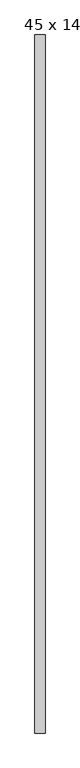
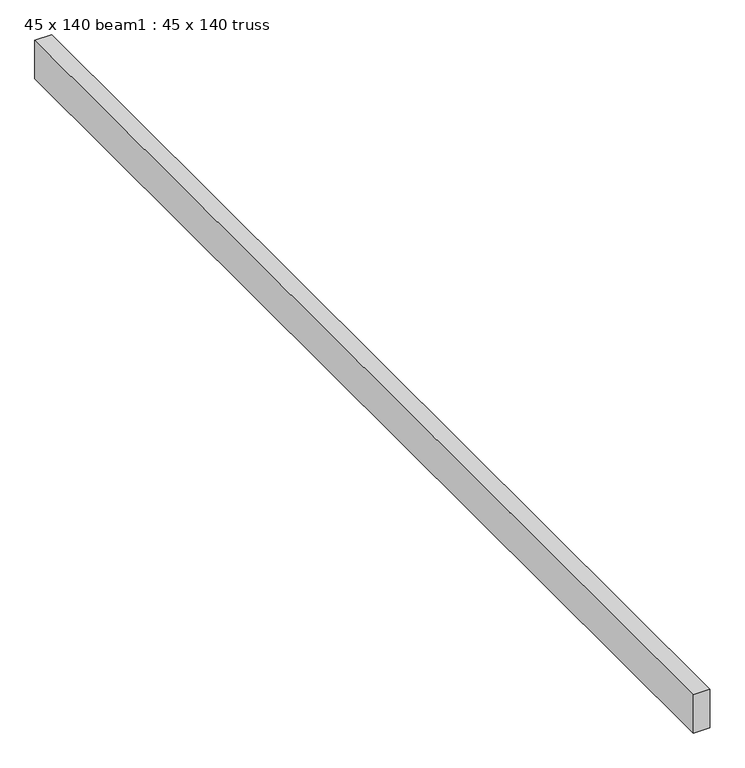
"""IFC4 building model written with IfcOpenShell, lengths in millimetres: proxy geometry, 45 x 140 beam1 : 45 x 140 truss."""

from ifc_helpers import new_model, si_unit, frame, origin, place, context, project, spatial, polyline, outline, extrude, source, transform, mapped, element, save


def proxy_45_x_140_beam1_45_x_140_truss_1d6dda72(model_context):
    return source(origin(), model_context, "Body", "SweptSolid", [
        extrude(outline(polyline([(-1197.0226803, -4545.130694), (-1242.0226803, -4545.130694), (-1242.0226803, -1455.130694), (-1197.0226803, -1455.130694), (-1197.0226803, -4545.130694)])), frame((0.0, 0.0, 3675.1978483), z_axis=(0.0, 0.0, 1.0), x_axis=(1.0, 0.0, 0.0)), (0.0, 0.0, 1.0), 109.0474323),
    ])


if __name__ == "__main__":
    model = new_model("IFC4")
    model_context = context("Model", 3, world=origin())
    ifc_project = project(units=[si_unit("LENGTHUNIT", "METRE", prefix="MILLI")], contexts=[model_context])
    site = spatial("IfcSite", under=ifc_project)
    building = spatial("IfcBuilding", under=site)
    placement = place(None, origin())
    proxy_45_x_140_beam1_45_x_140_truss_shape = proxy_45_x_140_beam1_45_x_140_truss_1d6dda72(model_context)
    element("IfcBuildingElementProxy", 1, Name="45 x 140 beam1 : 45 x 140 truss", ObjectType="45 x 140 beam1 : 45 x 140 truss", at=placement, inside=building, context=model_context, shape_type="MappedRepresentation", body=[
        mapped(proxy_45_x_140_beam1_45_x_140_truss_shape, transform((0.0, 0.0, 0.0), x_axis=(1.0, 0.0, 0.0), y_axis=(0.0, 1.0, 0.0), z_axis=(0.0, 0.0, 1.0))),
    ])
    save(model, "model.ifc")
